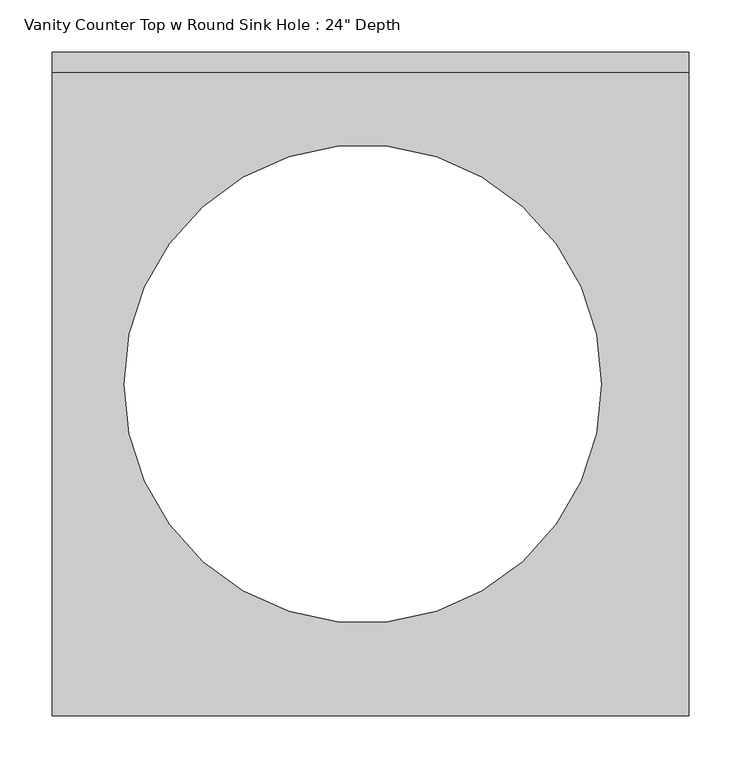
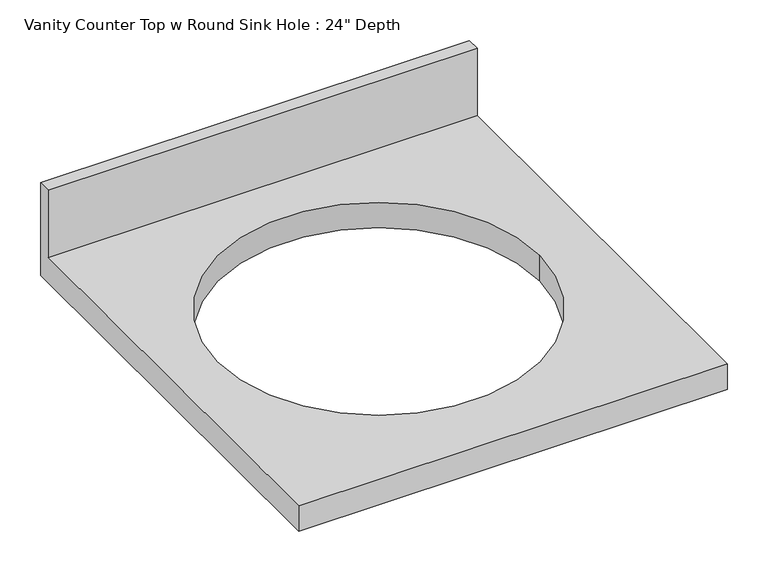
"""IFC4 building model written with IfcOpenShell, lengths in millimetres: furniture geometry."""

from ifc_helpers import new_model, si_unit, frame, origin, place, context, project, spatial, polyline, circle_curve, source, transform, mapped, element, save
from ifc_brep_helpers import plane_surface, revolved_surface, advanced_brep


def furniture_8531b402(model_context):
    return source(origin(), model_context, "Body", "AdvancedBrep", [
        advanced_brep(
        [(-1327.4622951, -635.0, 787.4), (-717.8622951, -635.0, 787.4), (-717.8622951, -19.05, 787.4), (-1327.4622951, -19.05, 787.4), (-801.568933, -317.5, 787.4), (-1258.768933, -317.5, 787.4), (-717.8622951, 0.0, 749.3), (-717.8622951, -635.0, 749.3), (-1327.4622951, -635.0, 749.3), (-1327.4622951, 0.0, 749.3), (-1258.768933, -317.5, 749.3), (-801.568933, -317.5, 749.3), (-1327.4622951, 0.0, 889.0), (-717.8622951, 0.0, 889.0), (-1327.4622951, -19.05, 889.0), (-717.8622951, -19.05, 889.0)],
        [
            (0, 1),
            (1, 2),
            (2, 3),
            (3, 0),
            (4, 5, circle_curve(frame((-1030.168933, -317.5, 787.4), z_axis=(0.0, 0.0, -1.0), x_axis=(1.0, 0.0, 0.0)), 228.6)),
            (5, 4, circle_curve(frame((-1030.168933, -317.5, 787.4), z_axis=(0.0, 0.0, -1.0), x_axis=(1.0, 0.0, 0.0)), 228.6)),
            (6, 7),
            (7, 8),
            (8, 9),
            (9, 6),
            (10, 11, circle_curve(frame((-1030.168933, -317.5, 749.3), z_axis=(0.0, 0.0, 1.0), x_axis=(1.0, 0.0, 0.0)), 228.6)),
            (11, 10, circle_curve(frame((-1030.168933, -317.5, 749.3), z_axis=(0.0, 0.0, 1.0), x_axis=(1.0, 0.0, 0.0)), 228.6)),
            (9, 12),
            (12, 13),
            (13, 6),
            (8, 0),
            (3, 14),
            (14, 12),
            (7, 1),
            (13, 15),
            (15, 2),
            (14, 15),
            (4, 11),
            (10, 5),
        ],
        [
            plane_surface(frame((-1327.4622951, 0.0, 787.4), z_axis=(0.0, 0.0, 1.0), x_axis=(-1.0, 0.0, 0.0))),
            plane_surface(frame((-1327.4622951, 0.0, 749.3), z_axis=(0.0, 0.0, -1.0), x_axis=(1.0, 0.0, 0.0))),
            plane_surface(frame((-717.8622951, 0.0, 787.4), z_axis=(0.0, 1.0, 0.0), x_axis=(0.0, 0.0, -1.0))),
            plane_surface(frame((-1327.4622951, 0.0, 787.4), z_axis=(-1.0, 0.0, 0.0), x_axis=(0.0, 0.0, -1.0))),
            plane_surface(frame((-1327.4622951, -635.0, 787.4), z_axis=(0.0, -1.0, 0.0), x_axis=(0.0, 0.0, -1.0))),
            plane_surface(frame((-717.8622951, -635.0, 787.4), z_axis=(1.0, 0.0, 0.0), x_axis=(0.0, 0.0, -1.0))),
            plane_surface(frame((-1327.4622951, 0.0, 889.0), z_axis=(0.0, 0.0, 1.0), x_axis=(0.0, -1.0, 0.0))),
            plane_surface(frame((-1327.4622951, -19.05, 889.0), z_axis=(0.0, -1.0, 0.0), x_axis=(0.0, 0.0, -1.0))),
            revolved_surface(polyline([(-801.5689329999999, -317.5, 787.4), (-801.5689329999999, -317.5, 749.3)]), (-1030.168933, -317.5, 749.3), (0.0, 0.0, 1.0)),
        ],
        [
            (0, [[1, 2, 3, 4], [5, 6]]),
            (1, [[7, 8, 9, 10], [11, 12]]),
            (2, [[-10, 13, 14, 15]]),
            (3, [[-9, 16, -4, 17, 18, -13]]),
            (4, [[-1, -16, -8, 19]]),
            (5, [[-7, -15, 20, 21, -2, -19]]),
            (6, [[-18, 22, -20, -14]]),
            (7, [[-22, -17, -3, -21]]),
            (8, [[23, -11, 24, -5]]),
            (8, [[-23, -6, -24, -12]]),
        ],
    ),
    ])


if __name__ == "__main__":
    model = new_model("IFC4")
    model_context = context("Model", 3, world=origin())
    ifc_project = project(units=[si_unit("LENGTHUNIT", "METRE", prefix="MILLI")], contexts=[model_context])
    site = spatial("IfcSite", under=ifc_project)
    building = spatial("IfcBuilding", under=site)
    placement = place(None, origin())
    furniture_shape = furniture_8531b402(model_context)
    element("IfcFurniture", 1, ObjectType="Vanity Counter Top w Round Sink Hole : 24\" Depth", at=placement, inside=building, context=model_context, shape_type="MappedRepresentation", body=[
        mapped(furniture_shape, transform((0.0, 0.0, 0.0), x_axis=(1.0, 0.0, 0.0), y_axis=(0.0, 1.0, 0.0), z_axis=(0.0, 0.0, 1.0))),
    ])
    save(model, "model.ifc")
